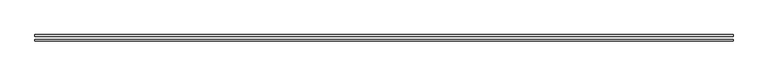
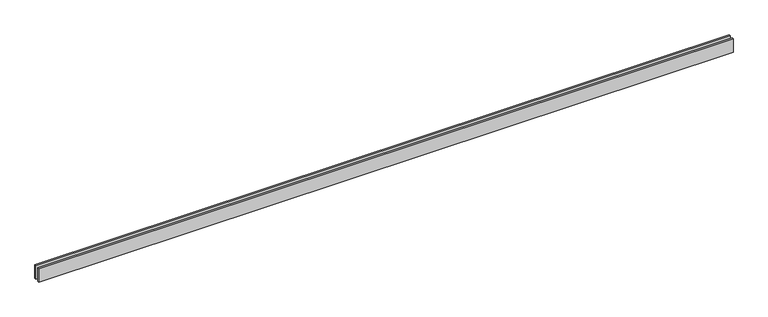
"""IFC4 building model written with IfcOpenShell, lengths in millimetres: proxy geometry."""

from ifc_helpers import new_model, si_unit, origin, origin_with_axes, place, context, project, spatial, polyline, outline, extrude, source, transform, mapped, element, save


def generic_models_a16f52a5(model_context):
    return source(origin(), model_context, "Body", "SweptSolid", [
        extrude(outline(polyline([(12110.0, -25.0), (12110.0, -55.0), (0.0, -55.0), (0.0, -25.0), (12110.0, -25.0)])), origin_with_axes(), (0.0, 0.0, 1.0), 250.0),
        extrude(outline(polyline([(12110.0, 55.0), (12110.0, 25.0), (0.0, 25.0), (0.0, 55.0), (12110.0, 55.0)])), origin_with_axes(), (0.0, 0.0, 1.0), 250.0),
    ])


if __name__ == "__main__":
    model = new_model("IFC4")
    model_context = context("Model", 3, world=origin())
    ifc_project = project(units=[si_unit("LENGTHUNIT", "METRE", prefix="MILLI")], contexts=[model_context])
    site = spatial("IfcSite", under=ifc_project)
    building = spatial("IfcBuilding", under=site)
    placement = place(None, origin())
    generic_models_shape = generic_models_a16f52a5(model_context)
    element("IfcBuildingElementProxy", 1, Name="Generic Models", at=placement, inside=building, context=model_context, shape_type="MappedRepresentation", body=[
        mapped(generic_models_shape, transform((0.0, 0.0, 0.0), x_axis=(1.0, 0.0, 0.0), y_axis=(0.0, 1.0, 0.0), z_axis=(0.0, 0.0, 1.0))),
    ])
    save(model, "model.ifc")
